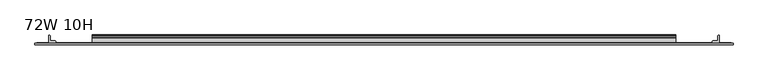
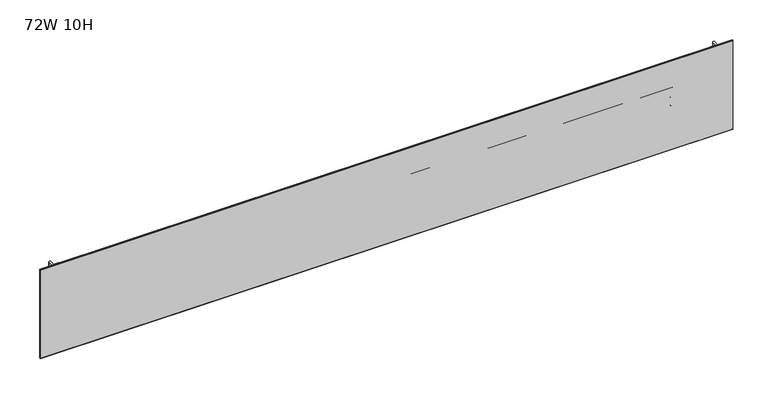
"""IFC4 building model written with IfcOpenShell, lengths in millimetres: furniture geometry, 72W 10H."""

from ifc_helpers import new_model, si_unit, point, frame, frame_2d, origin, place, context, project, spatial, polyline, circle_curve, trimmed, segment, composite_curve, outline, extrude, faceted_brep, source, transform, mapped, element, save


def furniture_72w_10h_593de257(model_context):
    return source(origin(), model_context, "Body", "SolidModel", [
        extrude(outline(composite_curve([segment(polyline([(-5.2324, 1003.1296044), (-5.2324, 1024.2481302)]), True, "CONTINUOUS"), segment(trimmed(circle_curve(frame_2d((-4.677496, 1024.2481302)), 0.554904), [point((-5.2324, 1024.2481302))], [point((-4.5338691, 1024.7841245))], False, "CARTESIAN"), True, "CONTINUOUS"), segment(polyline([(-4.5338691, 1024.7841245), (-3.3274001, 1024.4608349), (-2.3976956, 1023.5311678), (-2.0574001, 1022.2611145), (-2.0574001, 1009.4913299)]), True, "CONTINUOUS"), segment(trimmed(circle_curve(frame_2d((-1.4921701, 1009.4913299)), 0.5652299), [point((-2.0574001, 1009.4913299))], [point((-1.4921701, 1008.9261))], True, "CARTESIAN"), True, "CONTINUOUS"), segment(polyline([(-1.4921701, 1008.9261), (0.5143951, 1008.9261)]), True, "CONTINUOUS"), segment(trimmed(circle_curve(frame_2d((0.5143951, 1008.3228951)), 0.6032049), [point((0.5143951, 1008.9261))], [point((1.1176, 1008.3228951))], False, "CARTESIAN"), True, "CONTINUOUS"), segment(polyline([(1.1176, 1008.3228951), (1.1176, 977.2082914)]), True, "CONTINUOUS"), segment(trimmed(circle_curve(frame_2d((0.6637885, 979.8974964)), 2.7272272), [point((1.1176, 977.2082914))], [point((-2.0574001, 979.7161097))], False, "CARTESIAN"), True, "CONTINUOUS"), segment(polyline([(-2.0574001, 979.7161097), (-2.0574001, 1002.0318586)]), True, "CONTINUOUS"), segment(trimmed(circle_curve(frame_2d((-2.6016657, 1002.0318586)), 0.5442657), [point((-2.0574001, 1002.0318586))], [point((-2.6016657, 1002.5761242))], True, "CARTESIAN"), True, "CONTINUOUS"), segment(polyline([(-2.6016657, 1002.5761242), (-4.6789199, 1002.5761242)]), True, "CONTINUOUS"), segment(trimmed(circle_curve(frame_2d((-4.6789199, 1003.1296044)), 0.5534801), [point((-4.6789199, 1002.5761242))], [point((-5.2324, 1003.1296044))], False, "CARTESIAN"), True, "CONTINUOUS")], self_intersect=False)), frame((152.4, 0.0, 0.0), z_axis=(1.0, 0.0, 0.0), x_axis=(0.0, 1.0, 0.0)), (0.0, 0.0, 1.0), 1524.0),
        extrude(outline(composite_curve([segment(polyline([(-7.1373999, 1056.5511), (-4.5974, 1055.8705456), (-2.7379909, 1054.0111388), (-2.0574001, 1051.4711048), (-2.0574001, 1029.857422)]), True, "CONTINUOUS"), segment(trimmed(circle_curve(frame_2d((-1.4969277, 1029.857422)), 0.5604724), [point((-2.0574001, 1029.857422))], [point((-1.4969277, 1029.2969496))], True, "CARTESIAN"), True, "CONTINUOUS"), segment(polyline([(-1.4969277, 1029.2969496), (0.4039455, 1029.2969496)]), True, "CONTINUOUS"), segment(trimmed(circle_curve(frame_2d((0.4039455, 1028.5832952)), 0.7136544), [point((0.4039455, 1029.2969496))], [point((1.1176, 1028.5832952))], False, "CARTESIAN"), True, "CONTINUOUS"), segment(polyline([(1.1176, 1028.5832952), (1.1176, 1010.2271562)]), True, "CONTINUOUS"), segment(trimmed(circle_curve(frame_2d((0.4746932, 1010.2271562)), 0.6429068), [point((1.1176, 1010.2271562))], [point((-0.1003385, 1009.9396364))], False, "CARTESIAN"), True, "CONTINUOUS"), segment(polyline([(-0.1003385, 1009.9396364), (-1.8183367, 1013.3755852)]), True, "CONTINUOUS"), segment(trimmed(circle_curve(frame_2d((0.2069874, 1014.3882613)), 2.2643874), [point((-1.8183367, 1013.3755852))], [point((-2.0574001, 1014.3882613))], False, "CARTESIAN"), True, "CONTINUOUS"), segment(polyline([(-2.0574001, 1014.3882613), (-2.0574001, 1024.0639396)]), True, "CONTINUOUS"), segment(trimmed(circle_curve(frame_2d((-2.7946089, 1024.0639396)), 0.7372088), [point((-2.0574001, 1024.0639396))], [point((-2.7946089, 1024.8011484))], True, "CARTESIAN"), True, "CONTINUOUS"), segment(polyline([(-2.7946089, 1024.8011484), (-19.4564001, 1024.8011484), (-19.4564001, 1056.5511), (-7.1373999, 1056.5511)]), True, "CONTINUOUS")], self_intersect=False), holes=[composite_curve([segment(trimmed(circle_curve(frame_2d((-13.0222745, 1051.260013)), 2.7511257), [point((-13.0222745, 1054.0111388))], [point((-15.7734002, 1051.260013))], True, "CARTESIAN"), True, "CONTINUOUS"), segment(polyline([(-15.7734002, 1051.260013), (-15.7734002, 1029.9251649)]), True, "CONTINUOUS"), segment(trimmed(circle_curve(frame_2d((-13.189345, 1029.9251649)), 2.5840552), [point((-15.7734002, 1029.9251649))], [point((-13.189345, 1027.3411097))], True, "CARTESIAN"), True, "CONTINUOUS"), segment(polyline([(-13.189345, 1027.3411097), (-7.4218653, 1027.3411097)]), True, "CONTINUOUS"), segment(trimmed(circle_curve(frame_2d((-7.4218653, 1030.1655749)), 2.8244652), [point((-7.4218653, 1027.3411097))], [point((-4.5974, 1030.1655749))], True, "CARTESIAN"), True, "CONTINUOUS"), segment(polyline([(-4.5974, 1030.1655749), (-4.5974, 1051.333995)]), True, "CONTINUOUS"), segment(trimmed(circle_curve(frame_2d((-7.2745438, 1051.333995)), 2.6771438), [point((-4.5974, 1051.333995))], [point((-7.2745438, 1054.0111388))], True, "CARTESIAN"), True, "CONTINUOUS"), segment(polyline([(-7.2745438, 1054.0111388), (-13.0222745, 1054.0111388)]), True, "CONTINUOUS")], self_intersect=False)]), frame((152.4, 0.0, 0.0), z_axis=(1.0, 0.0, 0.0), x_axis=(0.0, 1.0, 0.0)), (0.0, 0.0, 1.0), 1524.0),
        extrude(outline(composite_curve([segment(trimmed(circle_curve(frame_2d((1790.1524764, -18.9088765)), 0.5475236), [point((1790.7, -18.9088765))], [point((1790.1524764, -19.4564001))], False, "CARTESIAN"), True, "CONTINUOUS"), segment(polyline([(1790.1524764, -19.4564001), (1772.2113866, -19.4564001)]), True, "CONTINUOUS"), segment(trimmed(circle_curve(frame_2d((1772.2113866, -18.8950135)), 0.5613866), [point((1772.2113866, -19.4564001))], [point((1771.65, -18.8950135))], False, "CARTESIAN"), True, "CONTINUOUS"), segment(polyline([(1771.65, -18.8950135), (1771.65, -16.8669745)]), True, "CONTINUOUS"), segment(trimmed(circle_curve(frame_2d((1774.2294745, -16.8669745)), 2.5794745), [point((1771.65, -16.8669745))], [point((1774.2294745, -14.2875))], False, "CARTESIAN"), True, "CONTINUOUS"), segment(polyline([(1774.2294745, -14.2875), (1785.2787912, -14.2875)]), True, "CONTINUOUS"), segment(trimmed(circle_curve(frame_2d((1785.2787912, -13.6414903)), 0.6460097), [point((1785.2787912, -14.2875))], [point((1785.9248009, -13.6414903))], True, "CARTESIAN"), True, "CONTINUOUS"), segment(polyline([(1785.9248009, -13.6414903), (1785.9248009, -2.768893)]), True, "CONTINUOUS"), segment(trimmed(circle_curve(frame_2d((1788.6936939, -2.768893)), 2.768893), [point((1785.9248009, -2.768893))], [point((1788.6936939, 0.0))], False, "CARTESIAN"), True, "CONTINUOUS"), segment(polyline([(1788.6936939, 0.0), (1790.1082199, 0.0)]), True, "CONTINUOUS"), segment(trimmed(circle_curve(frame_2d((1790.1082199, -0.5917801)), 0.5917801), [point((1790.1082199, 0.0))], [point((1790.7, -0.5917801))], False, "CARTESIAN"), True, "CONTINUOUS"), segment(polyline([(1790.7, -0.5917801), (1790.7, -18.9088765)]), True, "CONTINUOUS")], self_intersect=False)), frame((0.0, 0.0, 900.4046), z_axis=(0.0, 0.0, 1.0), x_axis=(1.0, 0.0, 0.0)), (0.0, 0.0, 1.0), 238.1123),
        extrude(outline(composite_curve([segment(polyline([(38.1, -18.9088765), (38.1, -0.5917801)]), True, "CONTINUOUS"), segment(trimmed(circle_curve(frame_2d((38.6917801, -0.5917801)), 0.5917801), [point((38.1, -0.5917801))], [point((38.6917801, 0.0))], False, "CARTESIAN"), True, "CONTINUOUS"), segment(polyline([(38.6917801, 0.0), (40.1063061, 0.0)]), True, "CONTINUOUS"), segment(trimmed(circle_curve(frame_2d((40.1063061, -2.768893)), 2.768893), [point((40.1063061, 0.0))], [point((42.8751991, -2.768893))], False, "CARTESIAN"), True, "CONTINUOUS"), segment(polyline([(42.8751991, -2.768893), (42.8751991, -13.6414903)]), True, "CONTINUOUS"), segment(trimmed(circle_curve(frame_2d((43.5212088, -13.6414903)), 0.6460097), [point((42.8751991, -13.6414903))], [point((43.5212088, -14.2875))], True, "CARTESIAN"), True, "CONTINUOUS"), segment(polyline([(43.5212088, -14.2875), (54.5705255, -14.2875)]), True, "CONTINUOUS"), segment(trimmed(circle_curve(frame_2d((54.5705255, -16.8669745)), 2.5794745), [point((54.5705255, -14.2875))], [point((57.15, -16.8669745))], False, "CARTESIAN"), True, "CONTINUOUS"), segment(polyline([(57.15, -16.8669745), (57.15, -18.8950135)]), True, "CONTINUOUS"), segment(trimmed(circle_curve(frame_2d((56.5886134, -18.8950135)), 0.5613866), [point((57.15, -18.8950135))], [point((56.5886134, -19.4564001))], False, "CARTESIAN"), True, "CONTINUOUS"), segment(polyline([(56.5886134, -19.4564001), (38.6475236, -19.4564001)]), True, "CONTINUOUS"), segment(trimmed(circle_curve(frame_2d((38.6475236, -18.9088765)), 0.5475236), [point((38.6475236, -19.4564001))], [point((38.1, -18.9088765))], False, "CARTESIAN"), True, "CONTINUOUS")], self_intersect=False)), frame((0.0, 0.0, 900.4046), z_axis=(0.0, 0.0, 1.0), x_axis=(1.0, 0.0, 0.0)), (0.0, 0.0, 1.0), 238.1123),
        extrude(outline(polyline([(1821.4975002, -20.0634601), (7.3024998, -20.0634601), (7.3024998, -19.4564001), (1821.4975002, -19.4564001), (1821.4975002, -20.0634601)])), frame((0.0, 0.0, 900.4046), z_axis=(0.0, 0.0, 1.0), x_axis=(1.0, 0.0, 0.0)), (0.0, 0.0, 1.0), 238.1123),
        faceted_brep([(1826.2600024, -24.0512595, 1143.2794), (1826.2600024, -20.8508598, 1143.2794), (2.5400001, -20.8508598, 1143.2794), (2.5400001, -24.0512595, 1143.2794), (2.5400001, -24.0512595, 895.6294), (2.5400001, -20.8508598, 895.6294), (1826.2600024, -20.8508598, 895.6294), (1826.2600024, -24.0512595, 895.6294), (3.3274521, -24.8386592, 1142.4919481), (3.3274521, -24.8386592, 896.4168519), (1825.4725505, -24.8386592, 896.4168519), (1825.4725505, -24.8386592, 1142.4919481), (3.3274521, -20.0634601, 896.4168519), (3.3274521, -20.0634601, 1142.4919481), (1825.4725505, -20.0634601, 1142.4919481), (1825.4725505, -20.0634601, 896.4168519)], [[[0, 1, 2, 3]], [[4, 5, 6, 7]], [[8, 9, 10, 11]], [[1, 0, 7, 6]], [[12, 13, 14, 15]], [[3, 2, 5, 4]], [[12, 5, 2, 13]], [[4, 9, 8, 3]], [[5, 12, 15, 6]], [[9, 4, 7, 10]], [[6, 15, 14, 1]], [[10, 7, 0, 11]], [[13, 2, 1, 14]], [[3, 8, 11, 0]]]),
    ])


if __name__ == "__main__":
    model = new_model("IFC4")
    model_context = context("Model", 3, world=origin())
    ifc_project = project(units=[si_unit("LENGTHUNIT", "METRE", prefix="MILLI")], contexts=[model_context])
    site = spatial("IfcSite", under=ifc_project)
    building = spatial("IfcBuilding", under=site)
    placement = place(None, origin())
    furniture_72w_10h_shape = furniture_72w_10h_593de257(model_context)
    element("IfcFurniture", 1, ObjectType="72W 10H", at=placement, inside=building, context=model_context, shape_type="MappedRepresentation", body=[
        mapped(furniture_72w_10h_shape, transform((0.0, 0.0, 0.0), x_axis=(1.0, 0.0, 0.0), y_axis=(0.0, 1.0, 0.0), z_axis=(0.0, 0.0, 1.0))),
    ])
    save(model, "model.ifc")
